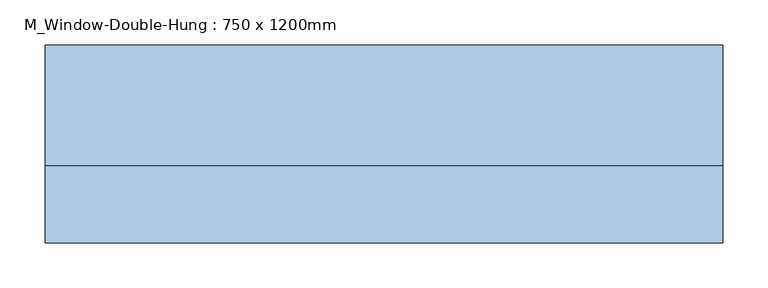
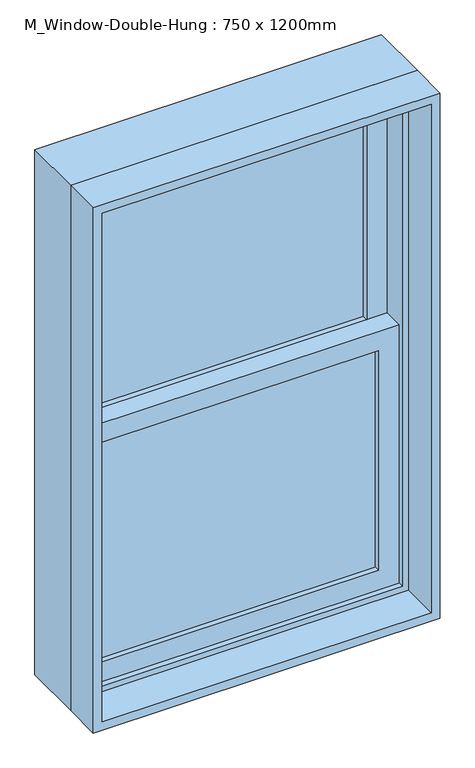
"""IFC4 building model written with IfcOpenShell, lengths in millimetres: window geometry, M_Window-Double-Hung : 750 x 1200mm."""

from ifc_helpers import new_model, si_unit, frame, origin, place, context, project, spatial, polyline, outline, extrude, source, transform, mapped, element, save


def m_window_double_hung_750_x_1200mm_41070976(model_context):
    return source(origin(), model_context, "Body", "SweptSolid", [
        extrude(outline(polyline([(298.8, 30.15), (298.8, 23.8), (-298.8, 23.8), (-298.8, 30.15), (298.8, 30.15)])), frame((0.0, 0.0, 990.6), z_axis=(0.0, 0.0, 1.0), x_axis=(1.0, 0.0, 0.0)), (0.0, 0.0, 1.0), 501.575),
        extrude(outline(polyline([(-298.8, 17.45), (298.8, 17.45), (298.8, 11.1), (-298.8, 11.1), (-298.8, 17.45)])), frame((0.0, 0.0, 990.6), z_axis=(0.0, 0.0, 1.0), x_axis=(1.0, 0.0, 0.0)), (0.0, 0.0, 1.0), 501.575),
        extrude(outline(polyline([(298.8, 74.6), (298.8, 68.25), (-298.8, 68.25), (-298.8, 74.6), (298.8, 74.6)])), frame((0.0, 0.0, 1536.625), z_axis=(0.0, 0.0, 1.0), x_axis=(1.0, 0.0, 0.0)), (0.0, 0.0, 1.0), 501.575),
        extrude(outline(polyline([(-298.8, 61.9), (298.8, 61.9), (298.8, 55.55), (-298.8, 55.55), (-298.8, 61.9)])), frame((0.0, 0.0, 1536.625), z_axis=(0.0, 0.0, 1.0), x_axis=(1.0, 0.0, 0.0)), (0.0, 0.0, 1.0), 501.575),
        extrude(outline(polyline([(1536.625, -343.25), (946.15, -343.25), (946.15, 343.25), (1536.625, 343.25), (1536.625, -343.25)]), holes=[polyline([(1492.175, 298.8), (990.6, 298.8), (990.6, -298.8), (1492.175, -298.8), (1492.175, 298.8)])]), frame((0.0, -1.6, 0.0), z_axis=(0.0, 1.0, 0.0), x_axis=(0.0, 0.0, 1.0)), (0.0, 0.0, 1.0), 44.45),
        extrude(outline(polyline([(2082.65, -343.25), (1492.175, -343.25), (1492.175, 343.25), (2082.65, 343.25), (2082.65, -343.25)]), holes=[polyline([(2038.2, 298.8), (1536.625, 298.8), (1536.625, -298.8), (2038.2, -298.8), (2038.2, 298.8)])]), frame((0.0, 42.85, 0.0), z_axis=(0.0, 1.0, 0.0), x_axis=(0.0, 0.0, 1.0)), (0.0, 0.0, 1.0), 44.45),
        extrude(outline(polyline([(2114.4, -375.0), (914.4, -375.0), (914.4, 375.0), (2114.4, 375.0), (2114.4, -375.0)]), holes=[polyline([(2082.65, 343.25), (946.15, 343.25), (946.15, -343.25), (2082.65, -343.25), (2082.65, 343.25)])]), frame((0.0, -14.3, 0.0), z_axis=(0.0, 1.0, 0.0), x_axis=(0.0, 0.0, 1.0)), (0.0, 0.0, 1.0), 133.35),
        extrude(outline(polyline([(2114.4, 375.0), (2114.4, -375.0), (914.4, -375.0), (914.4, 375.0), (2114.4, 375.0)]), holes=[polyline([(2095.35, 355.95), (933.45, 355.95), (933.45, -355.95), (2095.35, -355.95), (2095.35, 355.95)])]), frame((0.0, -100.0, 0.0), z_axis=(0.0, 1.0, 0.0), x_axis=(0.0, 0.0, 1.0)), (0.0, 0.0, 1.0), 85.7),
    ])


if __name__ == "__main__":
    model = new_model("IFC4")
    model_context = context("Model", 3, world=origin())
    ifc_project = project(units=[si_unit("LENGTHUNIT", "METRE", prefix="MILLI")], contexts=[model_context])
    site = spatial("IfcSite", under=ifc_project)
    building = spatial("IfcBuilding", under=site)
    placement = place(None, origin())
    m_window_double_hung_750_x_1200mm_shape = m_window_double_hung_750_x_1200mm_41070976(model_context)
    element("IfcWindow", 1, ObjectType="M_Window-Double-Hung : 750 x 1200mm", at=placement, inside=building, context=model_context, shape_type="MappedRepresentation", body=[
        mapped(m_window_double_hung_750_x_1200mm_shape, transform((0.0, 0.0, 0.0), x_axis=(1.0, 0.0, 0.0), y_axis=(0.0, 1.0, 0.0), z_axis=(0.0, 0.0, 1.0))),
    ])
    save(model, "model.ifc")
